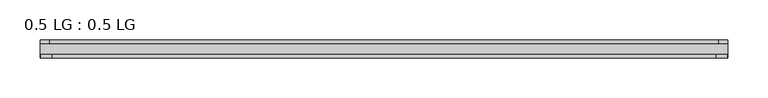
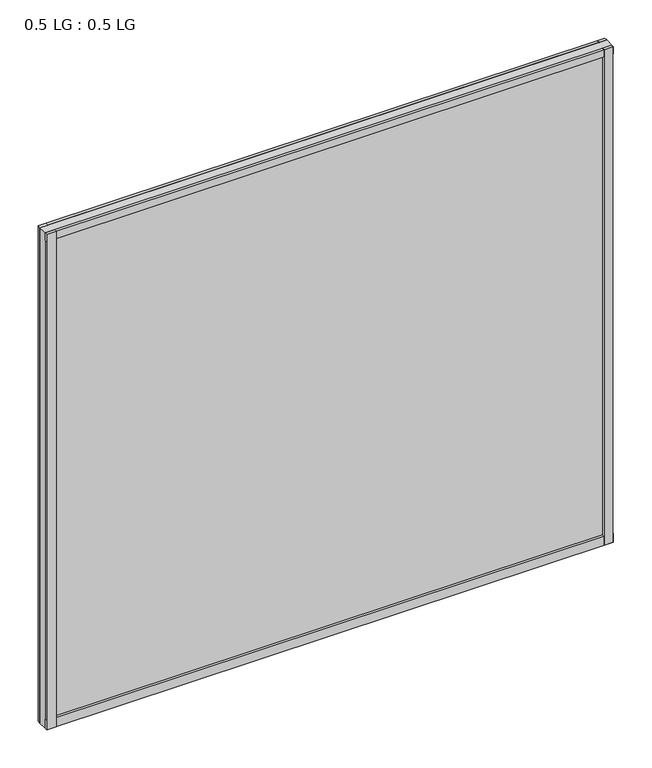
"""IFC4 building model written with IfcOpenShell, lengths in millimetres: plate geometry, 0.5 LG : 0.5 LG."""

from ifc_helpers import new_model, si_unit, frame, origin, origin_with_axes, place, context, project, spatial, polyline, outline, extrude, source, transform, mapped, element, save


def plate_0_5_lg_0_5_lg_45a08280(model_context):
    return source(origin(), model_context, "Body", "SweptSolid", [
        extrude(outline(polyline([(428.625, -4.6736), (417.1724034, -4.6736), (417.1724034, 0.0), (428.625, 0.0), (428.625, -4.6736)])), origin_with_axes(), (0.0, 0.0, 1.0), 792.4339894),
        extrude(outline(polyline([(414.4056761, -18.288), (427.8093966, -18.288), (427.8093966, -22.479), (414.4056761, -22.479), (414.4056761, -18.288)])), origin_with_axes(), (0.0, 0.0, 1.0), 792.4339894),
        extrude(outline(polyline([(-417.1071913, 0.0), (-417.1071913, -4.6736), (-428.625, -4.6736), (-428.625, 0.0), (-417.1071913, 0.0)])), origin_with_axes(), (0.0, 0.0, 1.0), 792.4339894),
        extrude(outline(polyline([(-414.4159512, -18.288), (-414.4159512, -22.479), (-427.8093966, -22.479), (-427.8093966, -18.288), (-414.4159512, -18.288)])), origin_with_axes(), (0.0, 0.0, 1.0), 792.4339894),
        extrude(outline(polyline([(428.625, 0.0), (428.625, -4.6736), (-428.625, -4.6736), (-428.625, 0.0), (428.625, 0.0)])), origin_with_axes(), (0.0, 0.0, 1.0), 11.444324),
        extrude(outline(polyline([(428.625, -18.288), (428.625, -22.479), (-428.625, -22.479), (-428.625, -18.288), (428.625, -18.288)])), origin_with_axes(), (0.0, 0.0, 1.0), 14.1703966),
        extrude(outline(polyline([(428.625, 0.0), (428.625, -4.6736), (-428.625, -4.6736), (-428.625, 0.0), (428.625, 0.0)])), frame((0.0, 0.0, 780.7688868), z_axis=(0.0, 0.0, 1.0), x_axis=(1.0, 0.0, 0.0)), (0.0, 0.0, 1.0), 11.6651026),
        extrude(outline(polyline([(428.625, -18.288), (428.625, -22.479), (-428.625, -22.479), (-428.625, -18.288), (428.625, -18.288)])), frame((0.0, 0.0, 780.7688868), z_axis=(0.0, 0.0, 1.0), x_axis=(1.0, 0.0, 0.0)), (0.0, 0.0, 1.0), 11.6651026),
        extrude(outline(polyline([(428.625, -4.6736), (428.625, -18.288), (-428.625, -18.288), (-428.625, -4.6736), (428.625, -4.6736)])), origin_with_axes(), (0.0, 0.0, 1.0), 792.4339894),
    ])


if __name__ == "__main__":
    model = new_model("IFC4")
    model_context = context("Model", 3, world=origin())
    ifc_project = project(units=[si_unit("LENGTHUNIT", "METRE", prefix="MILLI")], contexts=[model_context])
    site = spatial("IfcSite", under=ifc_project)
    building = spatial("IfcBuilding", under=site)
    placement = place(None, origin())
    plate_0_5_lg_0_5_lg_shape = plate_0_5_lg_0_5_lg_45a08280(model_context)
    element("IfcPlate", 1, ObjectType="0.5 LG : 0.5 LG", at=placement, inside=building, context=model_context, shape_type="MappedRepresentation", body=[
        mapped(plate_0_5_lg_0_5_lg_shape, transform((0.0, 0.0, 0.0), x_axis=(1.0, 0.0, 0.0), y_axis=(0.0, 1.0, 0.0), z_axis=(0.0, 0.0, 1.0))),
    ])
    save(model, "model.ifc")
